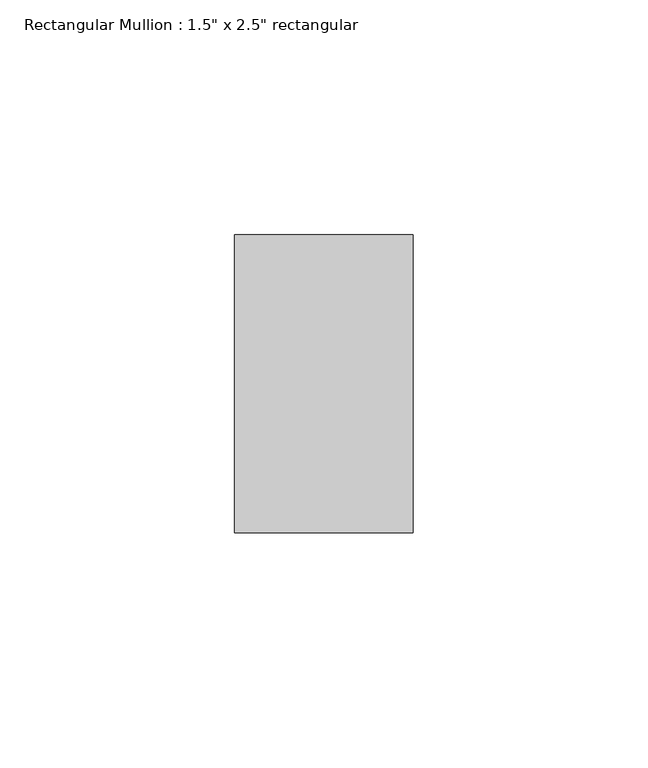
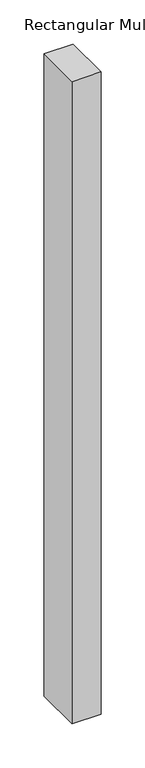
"""IFC4 building model written with IfcOpenShell, lengths in millimetres: member geometry."""

from ifc_helpers import new_model, si_unit, frame, origin, place, context, project, spatial, polyline, outline, extrude, source, transform, mapped, element, save


def member_e26db86a(model_context):
    return source(origin(), model_context, "Body", "SweptSolid", [
        extrude(outline(polyline([(19.05, 31.75), (19.05, -31.75), (-19.05, -31.75), (-19.05, 31.75), (19.05, 31.75)])), frame((0.0, 0.0, -888.2943083), z_axis=(0.0, 0.0, 1.0), x_axis=(1.0, 0.0, 0.0)), (0.0, 0.0, 1.0), 888.2943083),
    ])


if __name__ == "__main__":
    model = new_model("IFC4")
    model_context = context("Model", 3, world=origin())
    ifc_project = project(units=[si_unit("LENGTHUNIT", "METRE", prefix="MILLI")], contexts=[model_context])
    site = spatial("IfcSite", under=ifc_project)
    building = spatial("IfcBuilding", under=site)
    placement = place(None, origin())
    member_shape = member_e26db86a(model_context)
    element("IfcMember", 1, ObjectType="Rectangular Mullion : 1.5\" x 2.5\" rectangular", at=placement, inside=building, context=model_context, shape_type="MappedRepresentation", body=[
        mapped(member_shape, transform((0.0, 0.0, 0.0), x_axis=(1.0, 0.0, 0.0), y_axis=(0.0, 1.0, 0.0), z_axis=(0.0, 0.0, 1.0))),
    ])
    save(model, "model.ifc")
